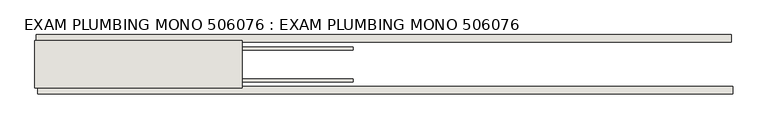
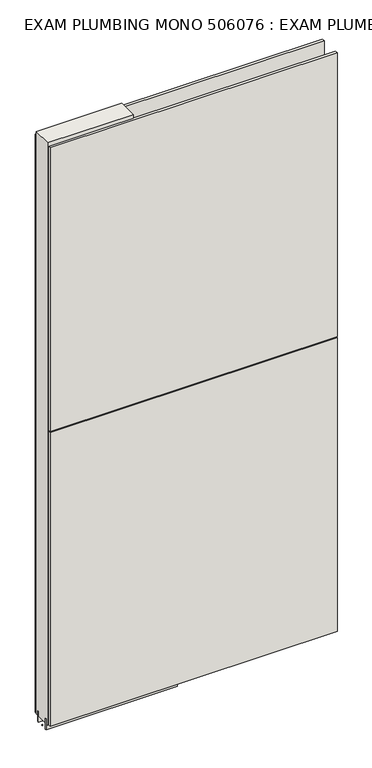
"""IFC4 building model written with IfcOpenShell, lengths in millimetres: wall geometry, EXAM PLUMBING MONO 506076 : EXAM PLUMBING MONO 506076."""

from ifc_helpers import new_model, si_unit, frame, origin, place, context, project, spatial, polyline, outline, extrude, source, transform, mapped, element, save


def exam_plumbing_mono_506076_exam_plumbing_mono_506076_94f6c508(model_context):
    return source(origin(), model_context, "Body", "SweptSolid", [
        extrude(outline(polyline([(52791.455504, -53342.677668), (52788.915504, -53342.677668), (52788.915504, -53340.137668), (52791.455504, -53340.137668), (52791.455504, -53342.677668)])), frame((0.0, 0.0, 4419.6), z_axis=(0.0, 0.0, 1.0), x_axis=(1.0, 0.0, 0.0)), (0.0, 0.0, 1.0), 2.54),
        extrude(outline(polyline([(52790.9121091, -53290.607668), (53984.4123129, -53290.607668), (53984.4123129, -53303.307668), (52790.9121091, -53303.307668), (52790.9121091, -53290.607668)])), frame((0.0, 0.0, 4445.0), z_axis=(0.0, 0.0, 1.0), x_axis=(1.0, 0.0, 0.0)), (0.0, 0.0, 1.0), 2545.0498756),
        extrude(outline(polyline([(53986.8803801, -53392.207668), (52793.3801763, -53392.207668), (52793.3801763, -53379.507668), (53986.8803801, -53379.507668), (53986.8803801, -53392.207668)])), frame((0.0, 0.0, 4445.0), z_axis=(0.0, 0.0, 1.0), x_axis=(1.0, 0.0, 0.0)), (0.0, 0.0, 1.0), 1293.400004),
        extrude(outline(polyline([(53986.8803801, -53392.207668), (52793.3801763, -53392.207668), (52793.3801763, -53379.507668), (53986.8803801, -53379.507668), (53986.8803801, -53392.207668)])), frame((0.0, 0.0, 5742.4000722), z_axis=(0.0, 0.0, 1.0), x_axis=(1.0, 0.0, 0.0)), (0.0, 0.0, 1.0), 1247.649905),
        extrude(outline(polyline([(53335.020457, -53316.330121), (52788.920457, -53316.330121), (52788.920457, -53311.245168), (53335.020457, -53311.245168), (53335.020457, -53316.330121)])), frame((0.0, 0.0, 4418.6602), z_axis=(0.0, 0.0, 1.0), x_axis=(1.0, 0.0, 0.0)), (0.0, 0.0, 1.0), 47.625),
        extrude(outline(polyline([(53335.020457, -53316.330121), (52788.920457, -53316.330121), (52788.920457, -53311.245168), (53335.020457, -53311.245168), (53335.020457, -53316.330121)])), frame((0.0, 0.0, 4418.6602), z_axis=(0.0, 0.0, 1.0), x_axis=(1.0, 0.0, 0.0)), (0.0, 0.0, 1.0), 47.625),
        extrude(outline(polyline([(52788.920457, -53366.4914126), (53335.020457, -53366.4914126), (53335.020457, -53371.570168), (52788.920457, -53371.570168), (52788.920457, -53366.4914126)])), frame((0.0, 0.0, 4418.6602), z_axis=(0.0, 0.0, 1.0), x_axis=(1.0, 0.0, 0.0)), (0.0, 0.0, 1.0), 47.625),
        extrude(outline(polyline([(52788.920457, -53366.4914126), (53335.020457, -53366.4914126), (53335.020457, -53371.570168), (52788.920457, -53371.570168), (52788.920457, -53366.4914126)])), frame((0.0, 0.0, 4418.6602), z_axis=(0.0, 0.0, 1.0), x_axis=(1.0, 0.0, 0.0)), (0.0, 0.0, 1.0), 47.625),
        extrude(outline(polyline([(53144.520457, -53300.7589812), (53144.520457, -53382.0625524), (52788.920457, -53382.0625524), (52788.920457, -53300.7589812), (53144.520457, -53300.7589812)])), frame((0.0, 0.0, 4445.0), z_axis=(0.0, 0.0, 1.0), x_axis=(1.0, 0.0, 0.0)), (0.0, 0.0, 1.0), 2562.4536762),
    ])


if __name__ == "__main__":
    model = new_model("IFC4")
    model_context = context("Model", 3, world=origin())
    ifc_project = project(units=[si_unit("LENGTHUNIT", "METRE", prefix="MILLI")], contexts=[model_context])
    site = spatial("IfcSite", under=ifc_project)
    building = spatial("IfcBuilding", under=site)
    placement = place(None, origin())
    exam_plumbing_mono_506076_exam_plumbing_mono_506076_shape = exam_plumbing_mono_506076_exam_plumbing_mono_506076_94f6c508(model_context)
    element("IfcWall", 1, ObjectType="EXAM PLUMBING MONO 506076 : EXAM PLUMBING MONO 506076", at=placement, inside=building, context=model_context, shape_type="MappedRepresentation", body=[
        mapped(exam_plumbing_mono_506076_exam_plumbing_mono_506076_shape, transform((0.0, 0.0, 0.0), x_axis=(1.0, 0.0, 0.0), y_axis=(0.0, 1.0, 0.0), z_axis=(0.0, 0.0, 1.0))),
    ])
    save(model, "model.ifc")
